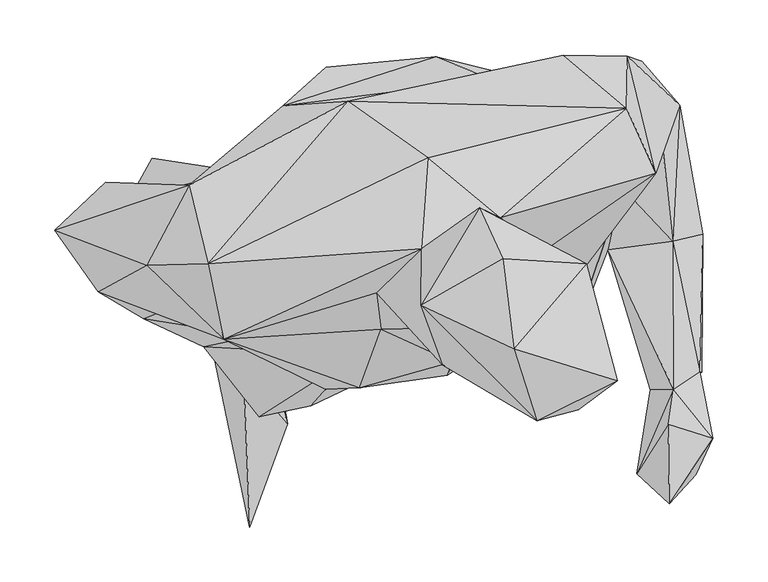
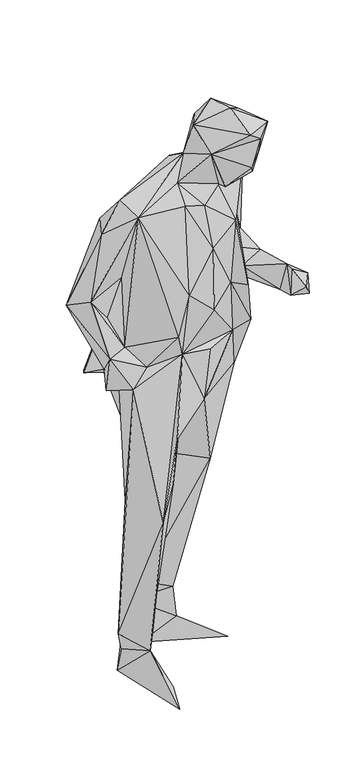
"""IFC4 building model written with IfcOpenShell, lengths in millimetres: geographic element geometry."""

from ifc_helpers import new_model, si_unit, origin, place, context, project, spatial, faceted_brep, source, transform, mapped, element, save


def geographic_element_95fc9b79(model_context):
    return source(origin(), model_context, "Body", "Brep", [
        faceted_brep([(95.9129855, 2.995874, 579.0369511), (184.9699616, 36.1115374, 824.9496818), (36.7027074, -68.3859512, 826.4401555), (165.3662473, -82.0809454, 1037.0266438), (190.4135644, 106.7171395, 1071.8907118), (152.4464786, -13.6549845, 967.10217), (136.2047344, 174.3948907, 850.7081866), (27.1669254, 124.543339, 203.7784606), (149.0054727, 109.0128049, 769.5525289), (133.6770058, -37.0938256, 1135.6563568), (157.8210443, -83.5943967, 1147.2247839), (156.6347033, -22.0334269, 1309.466958), (57.345733, -79.603225, 1292.8612232), (52.7563915, -92.1028703, 1111.7763519), (208.5788697, 67.4496815, 1268.1649923), (198.8400221, 22.3025065, 1126.7837286), (192.149058, 99.3059725, 1145.7182169), (248.8636225, 115.7427728, 1170.7355976), (242.3447073, 91.7397663, 1399.1801739), (257.7842176, 29.6926629, 1152.9424191), (264.2641068, 153.5407901, 1137.8799677), (258.4064007, -104.926616, 1189.9511814), (282.4584246, -88.8359174, 1149.0422487), (284.999162, 36.438629, 1110.6500626), (216.5471762, 198.0297714, 1280.0724506), (229.7700495, 193.702504, 1082.9359293), (284.0488851, -89.2300308, 1084.2343569), (164.579019, 140.0258541, 1133.1375837), (158.1101418, 199.2871314, 1322.9188919), (215.7199383, 150.789991, 1414.8977995), (-37.7310105, 157.2398841, 1338.9906883), (92.8150788, 177.4107665, 1065.2718544), (237.4652773, -105.033651, 1117.4830198), (-97.0493108, 152.984634, 1017.8040266), (42.2303192, 197.7366954, 863.9570475), (80.0623521, 150.3728777, 761.1940503), (-24.9142684, 95.5558792, 818.9458847), (-58.0129288, 188.4569973, 871.08922), (-2.2706625, 139.866814, 581.4906359), (49.0563139, 147.2249478, 619.915843), (34.309011, 147.6300806, 456.4091861), (-73.8625526, 136.6338581, 134.839341), (-22.4475507, 71.2577924, 601.7635465), (17.4440909, 57.0156351, 176.0063618), (16.6808665, 118.5205877, 137.6601607), (25.4184157, 52.8364182, 85.1478502), (-81.6688314, 92.7830786, 148.2602656), (-62.8853515, 75.8951455, 209.2620432), (-59.9034764, 88.0466923, 10.8221574), (-74.6957958, 162.1122956, 13.3939078), (-1.5084401, 125.5446374, 82.7791542), (111.7626131, 57.3767424, 8.0143381), (136.5338266, -15.2064366, 22.9116846), (3.3119663, -6.8359943, 754.4091344), (-99.3369892, 34.6030965, 627.0369887), (-173.4826267, 76.9724622, 894.1379189), (-71.4268386, -119.8889837, 770.5188394), (-39.5685434, -43.7017493, 575.6229758), (-30.5369087, -73.7585202, 991.8033481), (-118.6946332, -129.7118366, 532.2352648), (-105.363749, -71.7919469, 266.1586702), (-57.2757125, -21.0441407, 466.9272304), (-189.089179, -22.8286609, 149.7776955), (-132.9207867, -88.9009386, 117.9524139), (-169.154346, -65.981254, 925.1639843), (-102.9140204, 1.867545, 216.604203), (-92.6680416, -34.4390459, 147.1039206), (-149.1185129, 33.0766514, 164.6140367), (-141.2712187, 41.9042259, 91.4316773), (-126.3228655, 17.1860158, 455.943048), (-92.7940756, -136.025697, 20.1418772), (-176.2054116, 3.296962, 16.7999007), (-118.5515895, 6.7129587, 10.7091246), (-170.8028316, -6.3908645, 87.4185041), (-127.3481548, -229.9040705, 20.0938638), (-174.7219861, -34.2339873, 564.652741), (-173.0564982, -1.0473055, 888.8342977), (-220.3392833, -18.1522965, 911.7010236), (-203.5083771, 23.2577845, 946.2000728), (-223.6942649, -40.6948701, 1022.8763819), (-304.6518862, 40.0646888, 1170.0303555), (-124.1512224, -56.5515012, 973.4450579), (-265.2834058, -16.0556845, 1199.4760036), (-165.5563116, -16.7228803, 1026.4794827), (-221.2735564, 7.9873307, 1378.8312674), (-182.2841913, 80.8745995, 1372.6215363), (-258.6094439, 83.384335, 1163.6605263), (-151.2351185, -59.2002757, 1448.6056566), (-165.4012501, 9.2857098, 1465.1105404), (28.9904587, 22.8706729, 1534.5146656), (35.1612605, 105.9619114, 1476.9868851), (100.8984372, 51.3799898, 1507.1337223), (-138.9525384, 93.6853364, 1108.6114645), (-216.278106, 105.5767983, 897.8880048), (-236.5700305, 68.7560588, 920.0193882), (81.6608295, 60.2235682, 1617.1758175), (28.6943708, -28.2102302, 1655.0829411), (48.6411937, -83.2192823, 1589.3946886), (-12.0555172, -17.1089917, 1481.926322), (113.354072, -68.0308491, 1702.1136284), (103.0360609, 13.7840221, 1685.3137016), (134.0971291, -133.6599886, 1649.6382952), (179.2953014, 9.4347531, 1631.8510771), (207.5255513, -97.0133021, 1644.5587873), (171.6880798, -123.6480772, 1618.3351278), (189.7373646, -79.1060776, 1543.8114405), (133.3369017, 25.9755794, 1544.0164804), (167.5378829, -86.5952596, 1496.8267679), (147.8691548, -121.2983876, 1535.2419615), (93.8613862, -77.1385059, 1469.5277214), (104.2964384, -26.1076186, 1443.3120489), (50.4097119, -48.629187, 1410.2904797), (120.1250479, 6.6949534, 1418.5838699), (-7.7992752, -50.340686, 1428.2706976), (-27.4159983, -103.1831056, 1190.826416), (-58.3220161, -104.6445295, 1072.4259615), (57.4907735, -63.0934089, 971.3203907), (-166.6766256, -1.4314175, 1234.3701124), (-210.8845264, -6.5619149, 1124.9492168), (278.7103057, -182.3492199, 1138.3271217), (225.1236886, -181.5869808, 1149.6634483), (294.0877974, -149.3565738, 1176.1802435), (253.917098, -136.5038306, 1195.1527596), (254.8813522, -208.9659572, 1183.5132837)], [[[0, 1, 2]], [[3, 1, 4]], [[3, 5, 1]], [[5, 2, 1]], [[1, 6, 4]], [[7, 1, 0]], [[6, 1, 8]], [[1, 7, 8]], [[3, 9, 5]], [[10, 3, 4]], [[9, 3, 10]], [[11, 12, 9]], [[10, 11, 9]], [[13, 5, 9]], [[12, 13, 9]], [[14, 10, 15]], [[14, 11, 10]], [[4, 15, 10]], [[14, 16, 17]], [[14, 18, 11]], [[14, 17, 18]], [[15, 16, 14]], [[16, 19, 17]], [[16, 15, 19]], [[17, 20, 18]], [[19, 20, 17]], [[15, 21, 19]], [[21, 22, 19]], [[23, 19, 22]], [[19, 23, 20]], [[20, 24, 18]], [[20, 25, 24]], [[20, 23, 25]], [[22, 26, 23]], [[23, 26, 25]], [[25, 27, 28]], [[25, 26, 4]], [[28, 24, 25]], [[4, 27, 25]], [[24, 29, 18]], [[24, 28, 29]], [[30, 28, 31]], [[27, 31, 28]], [[30, 29, 28]], [[27, 4, 31]], [[6, 31, 4]], [[26, 32, 4]], [[4, 32, 15]], [[33, 30, 31]], [[34, 33, 31]], [[34, 31, 6]], [[8, 35, 6]], [[34, 6, 35]], [[34, 35, 36]], [[34, 36, 37]], [[34, 37, 33]], [[38, 36, 35]], [[35, 8, 39]], [[38, 35, 39]], [[8, 7, 40]], [[39, 8, 40]], [[38, 39, 40]], [[41, 42, 38]], [[42, 36, 38]], [[41, 38, 40]], [[7, 41, 40]], [[7, 43, 41]], [[7, 0, 43]], [[44, 43, 45]], [[46, 45, 43]], [[43, 44, 41]], [[0, 47, 43]], [[46, 43, 47]], [[0, 42, 47]], [[0, 2, 42]], [[47, 42, 41]], [[46, 47, 41]], [[45, 46, 41]], [[45, 41, 48]], [[49, 41, 50]], [[41, 49, 48]], [[41, 44, 50]], [[45, 50, 44]], [[49, 50, 51]], [[51, 50, 45]], [[51, 48, 49]], [[52, 45, 48]], [[52, 48, 51]], [[45, 52, 51]], [[53, 36, 42]], [[42, 2, 53]], [[54, 36, 53]], [[55, 36, 54]], [[36, 55, 37]], [[53, 2, 56]], [[53, 57, 54]], [[57, 53, 56]], [[58, 56, 2]], [[59, 56, 58]], [[59, 57, 56]], [[57, 59, 60]], [[61, 57, 60]], [[57, 61, 54]], [[62, 63, 59]], [[64, 59, 58]], [[62, 59, 64]], [[60, 59, 63]], [[60, 65, 61]], [[60, 66, 65]], [[63, 66, 60]], [[61, 65, 67]], [[65, 66, 67]], [[66, 63, 68]], [[68, 67, 66]], [[62, 69, 67]], [[67, 69, 61]], [[62, 67, 68]], [[68, 63, 70]], [[71, 68, 72]], [[70, 72, 68]], [[62, 68, 73]], [[71, 73, 68]], [[70, 63, 74]], [[72, 70, 74]], [[74, 71, 72]], [[73, 71, 63]], [[74, 63, 71]], [[63, 62, 73]], [[75, 62, 64]], [[75, 69, 62]], [[69, 75, 61]], [[75, 64, 76]], [[76, 54, 75]], [[54, 61, 75]], [[55, 54, 76]], [[76, 64, 77]], [[77, 78, 76]], [[55, 76, 78]], [[64, 79, 77]], [[77, 79, 78]], [[79, 80, 78]], [[79, 64, 81]], [[82, 80, 79]], [[82, 79, 83]], [[79, 81, 83]], [[84, 85, 80]], [[80, 82, 84]], [[80, 86, 78]], [[80, 85, 86]], [[82, 87, 84]], [[84, 87, 88]], [[84, 88, 85]], [[88, 89, 90]], [[90, 30, 88]], [[88, 87, 89]], [[30, 85, 88]], [[30, 90, 29]], [[91, 29, 90]], [[89, 91, 90]], [[85, 30, 33]], [[55, 92, 33]], [[85, 33, 92]], [[55, 33, 37]], [[93, 94, 92]], [[93, 92, 55]], [[92, 94, 78]], [[92, 78, 85]], [[94, 55, 78]], [[94, 93, 55]], [[78, 86, 85]], [[89, 95, 91]], [[89, 96, 95]], [[96, 89, 97]], [[89, 87, 98]], [[89, 98, 97]], [[99, 100, 96]], [[96, 97, 101]], [[101, 99, 96]], [[100, 95, 96]], [[102, 100, 99]], [[95, 100, 102]], [[99, 103, 102]], [[99, 101, 103]], [[97, 104, 101]], [[104, 103, 101]], [[104, 105, 103]], [[103, 105, 102]], [[105, 106, 102]], [[95, 102, 106]], [[107, 106, 105]], [[107, 105, 108]], [[105, 104, 108]], [[108, 104, 97]], [[109, 108, 97]], [[108, 109, 107]], [[110, 106, 107]], [[109, 110, 107]], [[109, 97, 110]], [[110, 97, 98]], [[98, 111, 110]], [[110, 111, 112]], [[110, 112, 106]], [[87, 113, 98]], [[111, 98, 113]], [[11, 111, 12]], [[112, 111, 11]], [[12, 111, 113]], [[11, 18, 112]], [[91, 112, 18]], [[112, 91, 106]], [[29, 91, 18]], [[95, 106, 91]], [[113, 114, 12]], [[114, 13, 12]], [[114, 113, 87]], [[114, 115, 58]], [[115, 114, 87]], [[114, 58, 13]], [[13, 58, 5]], [[81, 58, 115]], [[64, 58, 81]], [[116, 5, 58]], [[58, 2, 116]], [[115, 87, 83]], [[81, 115, 83]], [[117, 83, 87]], [[117, 87, 82]], [[118, 82, 83]], [[117, 118, 83]], [[118, 117, 82]], [[2, 5, 116]], [[21, 15, 32]], [[32, 26, 22]], [[32, 22, 119]], [[120, 32, 119]], [[32, 120, 21]], [[21, 121, 22]], [[21, 122, 121]], [[21, 120, 122]], [[121, 119, 22]], [[123, 120, 119]], [[123, 119, 121]], [[123, 122, 120]], [[121, 122, 123]]]),
    ])


if __name__ == "__main__":
    model = new_model("IFC4")
    model_context = context("Model", 3, world=origin())
    ifc_project = project(units=[si_unit("LENGTHUNIT", "METRE", prefix="MILLI")], contexts=[model_context])
    site = spatial("IfcSite", under=ifc_project)
    building = spatial("IfcBuilding", under=site)
    placement = place(None, origin())
    geographic_element_shape = geographic_element_95fc9b79(model_context)
    element("IfcGeographicElement", 1, at=placement, inside=building, context=model_context, shape_type="MappedRepresentation", body=[
        mapped(geographic_element_shape, transform((0.0, 0.0, 0.0), x_axis=(1.0, 0.0, 0.0), y_axis=(0.0, 1.0, 0.0), z_axis=(0.0, 0.0, 1.0))),
    ])
    save(model, "model.ifc")
